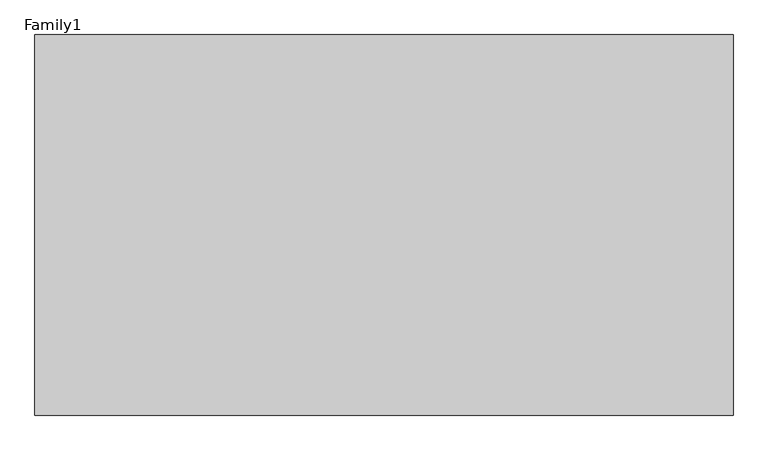
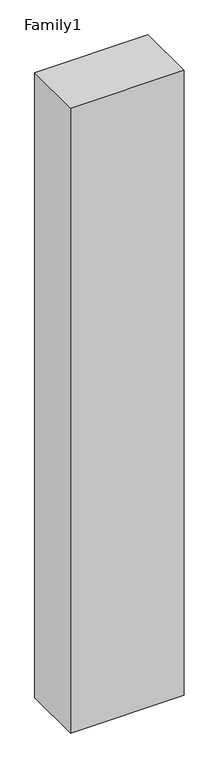
"""IFC4 building model written with IfcOpenShell, lengths in millimetres: proxy geometry, Family1."""

from ifc_helpers import new_model, si_unit, origin, origin_with_axes, place, context, project, spatial, polyline, outline, extrude, source, transform, mapped, element, save


def family1_b3f269f6(model_context):
    return source(origin(), model_context, "Body", "SweptSolid", [
        extrude(outline(polyline([(5500.0, 0.0), (0.0, 0.0), (0.0, 3000.0), (5500.0, 3000.0), (5500.0, 0.0)])), origin_with_axes(), (0.0, 0.0, 1.0), 32000.0),
    ])


if __name__ == "__main__":
    model = new_model("IFC4")
    model_context = context("Model", 3, world=origin())
    ifc_project = project(units=[si_unit("LENGTHUNIT", "METRE", prefix="MILLI")], contexts=[model_context])
    site = spatial("IfcSite", under=ifc_project)
    building = spatial("IfcBuilding", under=site)
    placement = place(None, origin())
    family1_shape = family1_b3f269f6(model_context)
    element("IfcBuildingElementProxy", 1, Name="Family1", ObjectType="Family1", at=placement, inside=building, context=model_context, shape_type="MappedRepresentation", body=[
        mapped(family1_shape, transform((0.0, 0.0, 0.0), x_axis=(1.0, 0.0, 0.0), y_axis=(0.0, 1.0, 0.0), z_axis=(0.0, 0.0, 1.0))),
    ])
    save(model, "model.ifc")
